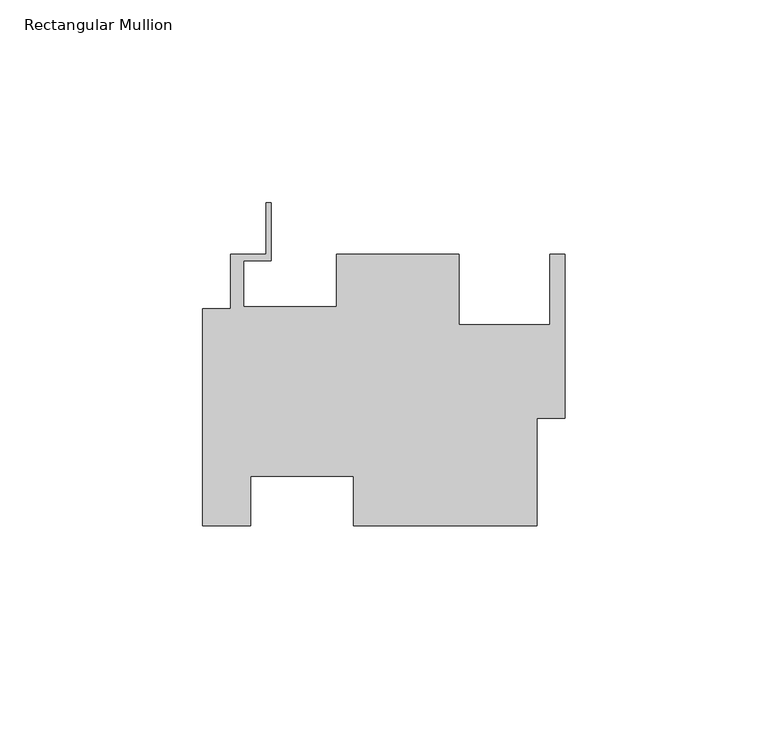
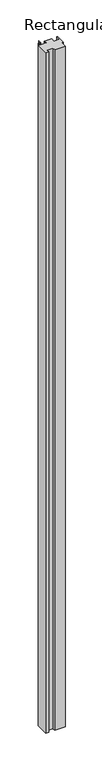
"""IFC4 building model written with IfcOpenShell, lengths in millimetres: member geometry, Rectangular Mullion."""

from ifc_helpers import new_model, si_unit, frame, origin, place, context, project, spatial, polyline, outline, extrude, source, transform, mapped, element, save


def rectangular_mullion_cf464d03(model_context):
    return source(origin(), model_context, "Body", "SweptSolid", [
        extrude(outline(polyline([(-89.4588, 19.4719322), (-82.55, 19.4719322), (-82.55, 32.9593322), (-73.80478, 32.9593322), (-73.80478, 45.6557697), (-72.53478, 45.6557697), (-72.53478, 31.3845322), (-79.375, 31.3845322), (-79.375, 20.0307322), (-56.4388, 20.0307322), (-56.4388, 32.9593218), (-26.1112, 32.9593218), (-26.1112, 15.5349322), (-3.7338, 15.5349322), (-3.7338, 32.9593322), (0.0, 32.9593322), (0.0, -7.5282678), (-6.9088, -7.5282678), (-6.9088, -34.0204678), (-52.2224, -34.0204678), (-52.2224, -21.8030678), (-77.6224, -21.8030678), (-77.6224, -34.0204678), (-89.4588, -34.0204678), (-89.4588, 19.4719322)])), frame((0.0, 0.0, -3048.0), z_axis=(0.0, 0.0, 1.0), x_axis=(1.0, 0.0, 0.0)), (0.0, 0.0, 1.0), 3048.0),
    ])


if __name__ == "__main__":
    model = new_model("IFC4")
    model_context = context("Model", 3, world=origin())
    ifc_project = project(units=[si_unit("LENGTHUNIT", "METRE", prefix="MILLI")], contexts=[model_context])
    site = spatial("IfcSite", under=ifc_project)
    building = spatial("IfcBuilding", under=site)
    placement = place(None, origin())
    rectangular_mullion_shape = rectangular_mullion_cf464d03(model_context)
    element("IfcMember", 1, ObjectType="Rectangular Mullion", at=placement, inside=building, context=model_context, shape_type="MappedRepresentation", body=[
        mapped(rectangular_mullion_shape, transform((0.0, 0.0, 0.0), x_axis=(1.0, 0.0, 0.0), y_axis=(0.0, 1.0, 0.0), z_axis=(0.0, 0.0, 1.0))),
    ])
    save(model, "model.ifc")
